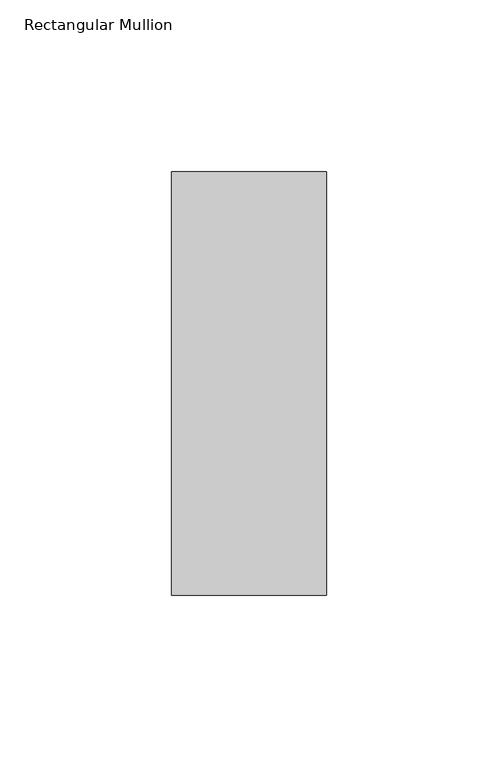
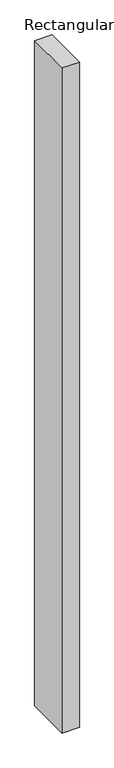
"""IFC4 building model written with IfcOpenShell, lengths in millimetres: member geometry, Rectangular Mullion."""

from ifc_helpers import new_model, si_unit, frame, origin, place, context, project, spatial, polyline, outline, extrude, source, transform, mapped, element, save


def rectangular_mullion_c205b98a(model_context):
    return source(origin(), model_context, "Body", "SweptSolid", [
        extrude(outline(polyline([(0.0, 77.05), (0.0, -46.05), (-45.0, -46.05), (-45.0, 77.05), (0.0, 77.05)])), frame((0.0, 0.0, -1828.8), z_axis=(0.0, 0.0, 1.0), x_axis=(1.0, 0.0, 0.0)), (0.0, 0.0, 1.0), 1828.8),
    ])


if __name__ == "__main__":
    model = new_model("IFC4")
    model_context = context("Model", 3, world=origin())
    ifc_project = project(units=[si_unit("LENGTHUNIT", "METRE", prefix="MILLI")], contexts=[model_context])
    site = spatial("IfcSite", under=ifc_project)
    building = spatial("IfcBuilding", under=site)
    placement = place(None, origin())
    rectangular_mullion_shape = rectangular_mullion_c205b98a(model_context)
    element("IfcMember", 1, ObjectType="Rectangular Mullion", at=placement, inside=building, context=model_context, shape_type="MappedRepresentation", body=[
        mapped(rectangular_mullion_shape, transform((0.0, 0.0, 0.0), x_axis=(1.0, 0.0, 0.0), y_axis=(0.0, 1.0, 0.0), z_axis=(0.0, 0.0, 1.0))),
    ])
    save(model, "model.ifc")
